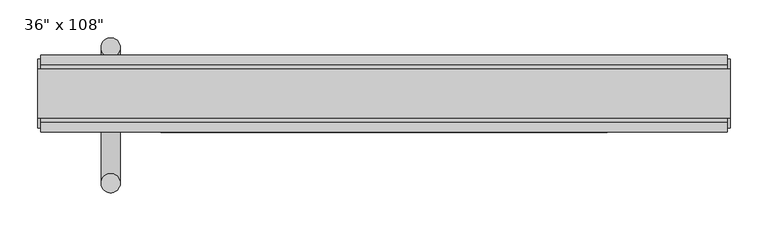
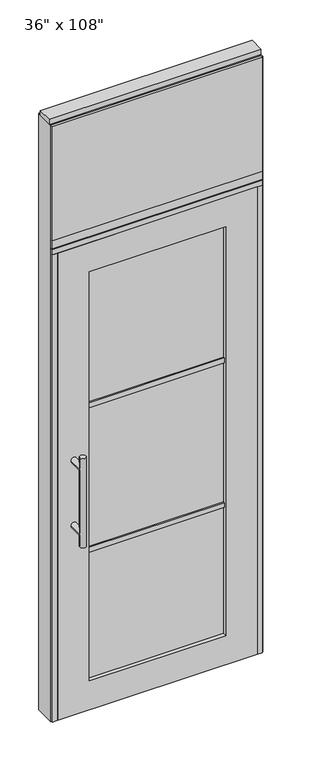
"""IFC4 building model written with IfcOpenShell, lengths in millimetres: furniture geometry."""

from ifc_helpers import new_model, si_unit, frame, origin, origin_with_axes, place, context, project, spatial, polyline, circle_curve, ellipse_curve, outline, extrude, source, transform, mapped, element, save
from ifc_brep_helpers import plane_surface, cylinder_surface, advanced_brep


def furniture_2a878d0b(model_context):
    return source(origin(), model_context, "Body", "SolidModel", [
        extrude(outline(polyline([(393.2264771, -55.3177216), (-513.2995229, -55.3177216), (-513.2995229, -42.6177216), (393.2264771, -42.6177216), (393.2264771, -55.3177216)])), frame((0.0, 0.0, 2197.1), z_axis=(0.0, 0.0, 1.0), x_axis=(1.0, 0.0, 0.0)), (0.0, 0.0, 1.0), 520.7),
        extrude(outline(polyline([(393.2264771, 46.2822784), (393.2264771, 33.5822784), (-513.2995229, 33.5822784), (-513.2995229, 46.2822784), (393.2264771, 46.2822784)])), frame((0.0, 0.0, 2197.1), z_axis=(0.0, 0.0, 1.0), x_axis=(1.0, 0.0, 0.0)), (0.0, 0.0, 1.0), 520.7),
        advanced_brep(
        [(-433.7975229, 56.6962784, 1219.2), (-408.3975229, 56.6962784, 1219.2), (-433.7975229, 56.6962784, 812.8), (-408.3975229, 56.6962784, 812.8), (-408.3975229, 56.6962784, 1164.336), (-408.3975229, 56.6962784, 867.664), (-433.7975229, 56.6962784, 867.664), (-433.7975229, 56.6962784, 1164.336), (-433.7975229, -10.8677216, 1164.336), (-408.3975229, -10.8677216, 1164.336), (-433.7975229, -10.8677216, 867.664), (-408.3975229, -10.8677216, 867.664)],
        [
            (0, 1, circle_curve(frame((-421.0975229, 56.6962784, 1219.2), z_axis=(0.0, 0.0, 1.0), x_axis=(1.0, 0.0, 0.0)), 12.7)),
            (1, 0, circle_curve(frame((-421.0975229, 56.6962784, 1219.2), z_axis=(0.0, 0.0, 1.0), x_axis=(1.0, 0.0, 0.0)), 12.7)),
            (2, 3, circle_curve(frame((-421.0975229, 56.6962784, 812.8), z_axis=(0.0, 0.0, -1.0), x_axis=(1.0, 0.0, 0.0)), 12.7)),
            (3, 2, circle_curve(frame((-421.0975229, 56.6962784, 812.8), z_axis=(0.0, 0.0, -1.0), x_axis=(1.0, 0.0, 0.0)), 12.7)),
            (1, 4),
            (4, 5),
            (5, 3),
            (2, 6),
            (6, 7),
            (7, 0),
            (6, 5, ellipse_curve(frame((-421.0975229, 56.6962784, 867.664), z_axis=(0.0, 0.707106781186565, 0.70710678118653), x_axis=(0.0, -0.70710678118653, 0.707106781186565)), 17.9605122, 12.7)),
            (4, 7, ellipse_curve(frame((-421.0975229, 56.6962784, 1164.336), z_axis=(0.0, 0.70710678118653, -0.7071067811865649), x_axis=(0.0, 0.7071067811865648, 0.7071067811865301)), 17.9605122, 12.7)),
            (7, 4, ellipse_curve(frame((-421.0975229, 56.6962784, 1164.336), z_axis=(0.0, 0.707106781186565, 0.70710678118653), x_axis=(0.0, -0.70710678118653, 0.707106781186565)), 17.9605122, 12.7)),
            (5, 6, ellipse_curve(frame((-421.0975229, 56.6962784, 867.664), z_axis=(0.0, 0.70710678118653, -0.7071067811865649), x_axis=(0.0, 0.7071067811865648, 0.7071067811865301)), 17.9605122, 12.7)),
            (8, 9, circle_curve(frame((-421.0975229, -10.8677216, 1164.336), z_axis=(0.0, -1.0, 0.0), x_axis=(1.0, 0.0, 0.0)), 12.7)),
            (9, 8, circle_curve(frame((-421.0975229, -10.8677216, 1164.336), z_axis=(0.0, -1.0, 0.0), x_axis=(1.0, 0.0, 0.0)), 12.7)),
            (8, 7),
            (4, 9),
            (10, 11, circle_curve(frame((-421.0975229, -10.8677216, 867.664), z_axis=(0.0, -1.0, 0.0), x_axis=(1.0, 0.0, 0.0)), 12.7)),
            (11, 10, circle_curve(frame((-421.0975229, -10.8677216, 867.664), z_axis=(0.0, -1.0, 0.0), x_axis=(1.0, 0.0, 0.0)), 12.7)),
            (10, 6),
            (5, 11),
        ],
        [
            plane_surface(frame((-408.3975229, 56.6962784, 1219.2), z_axis=(0.0, 0.0, 1.0), x_axis=(0.0, -1.0, 0.0))),
            plane_surface(frame((-408.3975229, 56.6962784, 812.8), z_axis=(0.0, 0.0, -1.0), x_axis=(0.0, 1.0, 0.0))),
            cylinder_surface(frame((-421.0975229, 56.6962784, 812.8), z_axis=(0.0, 0.0, 1.0), x_axis=(1.0, 0.0, 0.0)), 12.7),
            plane_surface(frame((-408.3975229, -10.8677216, 1164.336), z_axis=(0.0, -1.0, 0.0), x_axis=(0.0, 0.0, -1.0))),
            cylinder_surface(frame((-421.0975229, -10.8677216, 1164.336), z_axis=(0.0, 1.0, 0.0), x_axis=(1.0, 0.0, 0.0)), 12.7),
            plane_surface(frame((-408.3975229, -10.8677216, 867.664), z_axis=(0.0, -1.0, 0.0), x_axis=(0.0, 0.0, -1.0))),
            cylinder_surface(frame((-421.0975229, -10.8677216, 867.664), z_axis=(0.0, 1.0, 0.0), x_axis=(1.0, 0.0, 0.0)), 12.7),
        ],
        [
            (0, [[1, 2]]),
            (1, [[3, 4]]),
            (2, [[5, 6, 7, -3, 8, 9, 10, -2]]),
            (2, [[-9, 11, -6, 12]]),
            (2, [[-10, 13, -5, -1]]),
            (2, [[-7, 14, -8, -4]]),
            (3, [[15, 16]]),
            (4, [[17, -12, 18, -15]]),
            (4, [[-18, -13, -17, -16]]),
            (5, [[19, 20]]),
            (6, [[21, -14, 22, -19]]),
            (6, [[-22, -11, -21, -20]]),
        ],
    ),
        advanced_brep(
        [(-433.7975229, -122.8817216, 1219.2), (-408.3975229, -122.8817216, 1219.2), (-433.7975229, -122.8817216, 812.8), (-408.3975229, -122.8817216, 812.8), (-433.7975229, -122.8817216, 1164.336), (-433.7975229, -122.8817216, 867.664), (-408.3975229, -122.8817216, 867.664), (-408.3975229, -122.8817216, 1164.336), (-433.7975229, -55.3177216, 1164.336), (-408.3975229, -55.3177216, 1164.336), (-433.7975229, -55.3177216, 867.664), (-408.3975229, -55.3177216, 867.664)],
        [
            (0, 1, circle_curve(frame((-421.0975229, -122.8817216, 1219.2), z_axis=(0.0, 0.0, 1.0), x_axis=(1.0, 0.0, 0.0)), 12.7)),
            (1, 0, circle_curve(frame((-421.0975229, -122.8817216, 1219.2), z_axis=(0.0, 0.0, 1.0), x_axis=(1.0, 0.0, 0.0)), 12.7)),
            (2, 3, circle_curve(frame((-421.0975229, -122.8817216, 812.8), z_axis=(0.0, 0.0, -1.0), x_axis=(1.0, 0.0, 0.0)), 12.7)),
            (3, 2, circle_curve(frame((-421.0975229, -122.8817216, 812.8), z_axis=(0.0, 0.0, -1.0), x_axis=(1.0, 0.0, 0.0)), 12.7)),
            (0, 4),
            (4, 5),
            (5, 2),
            (3, 6),
            (6, 7),
            (7, 1),
            (7, 4, ellipse_curve(frame((-421.0975229, -122.8817216, 1164.336), z_axis=(0.0, -0.707106781186565, 0.70710678118653), x_axis=(0.0, 0.70710678118653, 0.707106781186565)), 17.9605122, 12.7)),
            (5, 6, ellipse_curve(frame((-421.0975229, -122.8817216, 867.664), z_axis=(0.0, -0.70710678118653, -0.7071067811865649), x_axis=(0.0, -0.7071067811865648, 0.7071067811865301)), 17.9605122, 12.7)),
            (4, 7, ellipse_curve(frame((-421.0975229, -122.8817216, 1164.336), z_axis=(0.0, -0.70710678118653, -0.7071067811865649), x_axis=(0.0, -0.7071067811865648, 0.7071067811865301)), 17.9605122, 12.7)),
            (6, 5, ellipse_curve(frame((-421.0975229, -122.8817216, 867.664), z_axis=(0.0, -0.707106781186565, 0.70710678118653), x_axis=(0.0, 0.70710678118653, 0.707106781186565)), 17.9605122, 12.7)),
            (8, 9, circle_curve(frame((-421.0975229, -55.3177216, 1164.336), z_axis=(0.0, 1.0, 0.0), x_axis=(1.0, 0.0, 0.0)), 12.7)),
            (9, 8, circle_curve(frame((-421.0975229, -55.3177216, 1164.336), z_axis=(0.0, 1.0, 0.0), x_axis=(1.0, 0.0, 0.0)), 12.7)),
            (9, 7),
            (4, 8),
            (10, 11, circle_curve(frame((-421.0975229, -55.3177216, 867.664), z_axis=(0.0, 1.0, 0.0), x_axis=(1.0, 0.0, 0.0)), 12.7)),
            (11, 10, circle_curve(frame((-421.0975229, -55.3177216, 867.664), z_axis=(0.0, 1.0, 0.0), x_axis=(1.0, 0.0, 0.0)), 12.7)),
            (11, 6),
            (5, 10),
        ],
        [
            plane_surface(frame((-408.3975229, -122.8817216, 1219.2), z_axis=(0.0, 0.0, 1.0), x_axis=(0.0, 1.0, 0.0))),
            plane_surface(frame((-408.3975229, -122.8817216, 812.8), z_axis=(0.0, 0.0, -1.0), x_axis=(0.0, -1.0, 0.0))),
            cylinder_surface(frame((-421.0975229, -122.8817216, 812.8), z_axis=(0.0, 0.0, 1.0), x_axis=(1.0, 0.0, 0.0)), 12.7),
            plane_surface(frame((-408.3975229, -55.3177216, 1164.336), z_axis=(0.0, 1.0, 0.0), x_axis=(0.0, 0.0, -1.0))),
            cylinder_surface(frame((-421.0975229, -55.3177216, 1164.336), z_axis=(0.0, -1.0, 0.0), x_axis=(1.0, 0.0, 0.0)), 12.7),
            plane_surface(frame((-408.3975229, -55.3177216, 867.664), z_axis=(0.0, 1.0, 0.0), x_axis=(0.0, 0.0, -1.0))),
            cylinder_surface(frame((-421.0975229, -55.3177216, 867.664), z_axis=(0.0, -1.0, 0.0), x_axis=(1.0, 0.0, 0.0)), 12.7),
        ],
        [
            (0, [[1, 2]]),
            (1, [[3, 4]]),
            (2, [[-1, 5, 6, 7, -4, 8, 9, 10]]),
            (2, [[-2, -10, 11, -5]]),
            (2, [[-3, -7, 12, -8]]),
            (2, [[13, -9, 14, -6]]),
            (3, [[15, 16]]),
            (4, [[-16, 17, -13, 18]]),
            (4, [[-15, -18, -11, -17]]),
            (5, [[19, 20]]),
            (6, [[-20, 21, -12, 22]]),
            (6, [[-19, -22, -14, -21]]),
        ],
    ),
        extrude(outline(polyline([(-355.0575229, -44.2052216), (-355.0575229, -21.9802216), (234.9844771, -21.9802216), (234.9844771, -44.2052216), (-355.0575229, -44.2052216)])), frame((0.0, 0.0, 1371.6), z_axis=(0.0, 0.0, 1.0), x_axis=(1.0, 0.0, 0.0)), (0.0, 0.0, 1.0), 22.225),
        extrude(outline(polyline([(-355.0575229, -44.2052216), (-355.0575229, -21.9802216), (234.9844771, -21.9802216), (234.9844771, -44.2052216), (-355.0575229, -44.2052216)])), frame((0.0, 0.0, 711.2), z_axis=(0.0, 0.0, 1.0), x_axis=(1.0, 0.0, 0.0)), (0.0, 0.0, 1.0), 22.225),
        extrude(outline(polyline([(234.9844771, -38.1727216), (-355.0575229, -38.1727216), (-355.0575229, -28.0127216), (234.9844771, -28.0127216), (234.9844771, -38.1727216)])), frame((0.0, 0.0, 132.969), z_axis=(0.0, 0.0, 1.0), x_axis=(1.0, 0.0, 0.0)), (0.0, 0.0, 1.0), 1867.662),
        extrude(outline(polyline([(2133.6, 371.0014771), (2133.6, -491.0745229), (0.0, -491.0745229), (0.0, 371.0014771), (2133.6, 371.0014771)]), holes=[polyline([(2000.631, 234.9844771), (132.969, 234.9844771), (132.969, -355.0575229), (2000.631, -355.0575229), (2000.631, 234.9844771)])]), frame((0.0, -55.3177216, 0.0), z_axis=(0.0, 1.0, 0.0), x_axis=(0.0, 0.0, 1.0)), (0.0, 0.0, 1.0), 44.45),
        extrude(outline(polyline([(-42.6177216, 2681.478), (-42.6177216, 2717.8), (33.5822784, 2717.8), (33.5822784, 2681.478), (28.6292784, 2681.478), (28.6292784, 2676.525), (-37.6647216, 2676.525), (-37.6647216, 2681.478), (-42.6177216, 2681.478)])), frame((-513.2995229, 0.0, 0.0), z_axis=(1.0, 0.0, 0.0), x_axis=(0.0, 1.0, 0.0)), (0.0, 0.0, 1.0), 906.526),
        extrude(outline(polyline([(-513.2995229, -55.3177216), (-513.2995229, 46.2822784), (393.2264771, 46.2822784), (393.2264771, -55.3177216), (-513.2995229, -55.3177216)])), frame((0.0, 0.0, 2133.6), z_axis=(0.0, 0.0, 1.0), x_axis=(1.0, 0.0, 0.0)), (0.0, 0.0, 1.0), 22.225),
        extrude(outline(polyline([(-55.3177216, 2160.778), (-55.3177216, 2197.1), (46.2822784, 2197.1), (46.2822784, 2160.778), (41.3292784, 2160.778), (41.3292784, 2155.825), (-50.3647216, 2155.825), (-50.3647216, 2160.778), (-55.3177216, 2160.778)])), frame((-513.2995229, 0.0, 0.0), z_axis=(1.0, 0.0, 0.0), x_axis=(0.0, 1.0, 0.0)), (0.0, 0.0, 1.0), 906.526),
        extrude(outline(polyline([(397.1634771, -50.3647216), (393.2264771, -50.3647216), (393.2264771, 41.3292784), (397.1634771, 41.3292784), (397.1634771, -50.3647216)])), origin_with_axes(), (0.0, 0.0, 1.0), 2717.8),
        extrude(outline(polyline([(-517.2365229, -50.3647216), (-517.2365229, 41.3292784), (-513.2995229, 41.3292784), (-513.2995229, -50.3647216), (-517.2365229, -50.3647216)])), origin_with_axes(), (0.0, 0.0, 1.0), 2717.8),
        extrude(outline(polyline([(371.0014771, -55.3177216), (371.0014771, 46.2822784), (393.2264771, 46.2822784), (393.2264771, -55.3177216), (371.0014771, -55.3177216)])), origin_with_axes(), (0.0, 0.0, 1.0), 2133.6),
        extrude(outline(polyline([(-491.0745229, -55.3177216), (-513.2995229, -55.3177216), (-513.2995229, 46.2822784), (-491.0745229, 46.2822784), (-491.0745229, -55.3177216)])), origin_with_axes(), (0.0, 0.0, 1.0), 2133.6),
        extrude(outline(polyline([(-517.2365229, -37.0297216), (-517.2365229, 27.9942784), (397.1634771, 27.9942784), (397.1634771, -37.0297216), (-517.2365229, -37.0297216)])), frame((0.0, 0.0, 2717.8), z_axis=(0.0, 0.0, 1.0), x_axis=(1.0, 0.0, 0.0)), (0.0, 0.0, 1.0), 25.4),
    ])


if __name__ == "__main__":
    model = new_model("IFC4")
    model_context = context("Model", 3, world=origin())
    ifc_project = project(units=[si_unit("LENGTHUNIT", "METRE", prefix="MILLI")], contexts=[model_context])
    site = spatial("IfcSite", under=ifc_project)
    building = spatial("IfcBuilding", under=site)
    placement = place(None, origin())
    furniture_shape = furniture_2a878d0b(model_context)
    element("IfcFurniture", 1, ObjectType="36\" x 108\"", at=placement, inside=building, context=model_context, shape_type="MappedRepresentation", body=[
        mapped(furniture_shape, transform((0.0, 0.0, 0.0), x_axis=(1.0, 0.0, 0.0), y_axis=(0.0, 1.0, 0.0), z_axis=(0.0, 0.0, 1.0))),
    ])
    save(model, "model.ifc")
